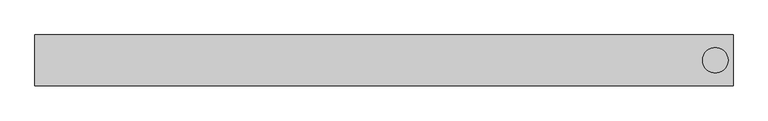
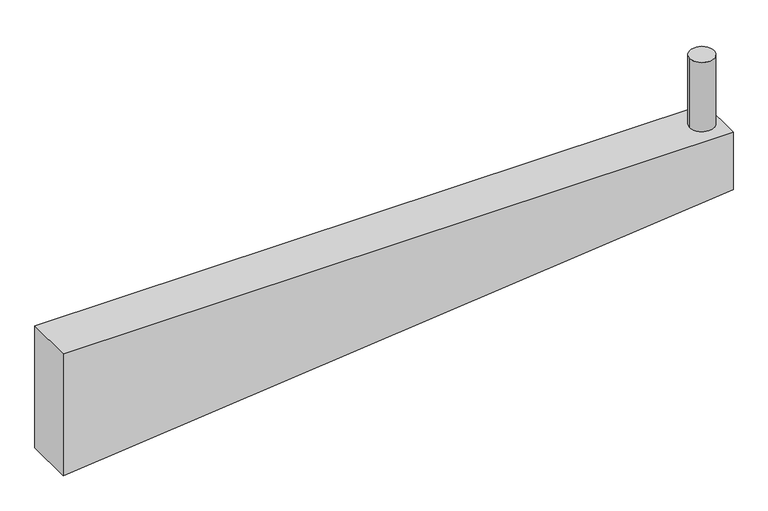
"""IFC4 building model written with IfcOpenShell, lengths in millimetres: beam geometry."""

from ifc_helpers import new_model, si_unit, point, frame, frame_2d, origin, origin_with_axes, place, context, project, spatial, polyline, circle_curve, trimmed, segment, composite_curve, outline, extrude, source, transform, mapped, element, save


def beam_961dcab8(model_context):
    return source(origin(), model_context, "Body", "SweptSolid", [
        extrude(outline(composite_curve([segment(trimmed(circle_curve(frame_2d((1302.5, 0.0)), 50.0), [point((1252.5, 0.0))], [point((1352.5, 0.0))], False, "CARTESIAN"), True, "CONTINUOUS"), segment(trimmed(circle_curve(frame_2d((1302.5, 0.0)), 50.0), [point((1352.5, 0.0))], [point((1252.5, 0.0))], False, "CARTESIAN"), True, "CONTINUOUS")], self_intersect=False)), origin_with_axes(), (0.0, 0.0, 1.0), 300.0),
        extrude(outline(polyline([(-250.0, 1372.5), (0.0, 1372.5), (0.0, -1372.5), (-530.0, -1372.5), (-250.0, 1372.5)])), frame((0.0, -100.0, 0.0), z_axis=(0.0, 1.0, 0.0), x_axis=(0.0, 0.0, 1.0)), (0.0, 0.0, 1.0), 200.0),
    ])


if __name__ == "__main__":
    model = new_model("IFC4")
    model_context = context("Model", 3, world=origin())
    ifc_project = project(units=[si_unit("LENGTHUNIT", "METRE", prefix="MILLI")], contexts=[model_context])
    site = spatial("IfcSite", under=ifc_project)
    building = spatial("IfcBuilding", under=site)
    placement = place(None, origin())
    beam_shape = beam_961dcab8(model_context)
    element("IfcBeam", 1, at=placement, inside=building, context=model_context, shape_type="MappedRepresentation", body=[
        mapped(beam_shape, transform((0.0, 0.0, 0.0), x_axis=(1.0, 0.0, 0.0), y_axis=(0.0, 1.0, 0.0), z_axis=(0.0, 0.0, 1.0))),
    ])
    save(model, "model.ifc")
